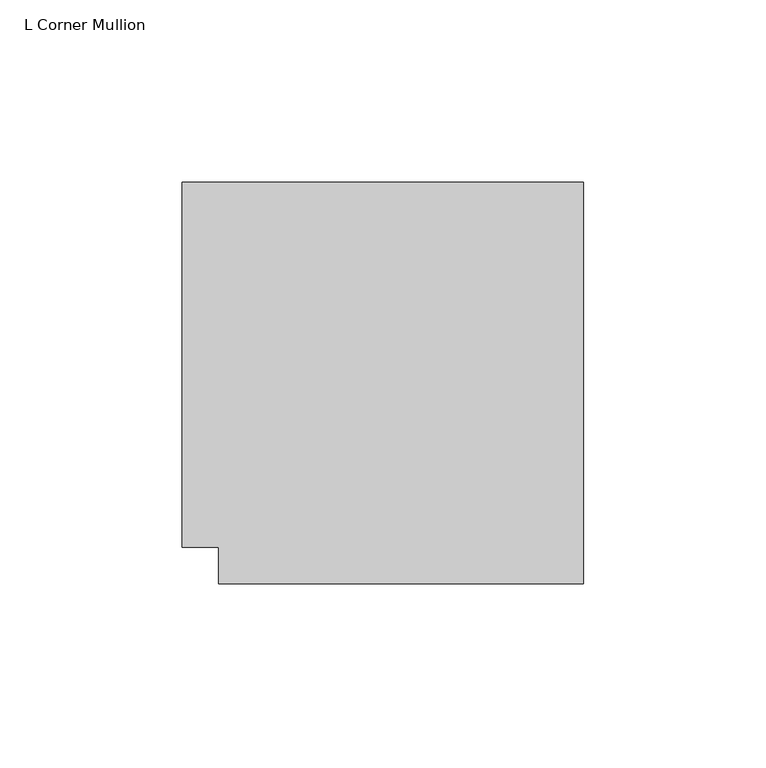
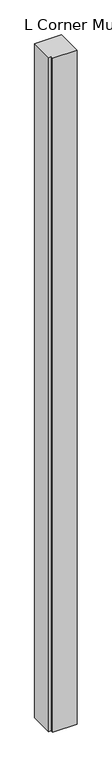
"""IFC4 building model written with IfcOpenShell, lengths in millimetres: member geometry, L Corner Mullion."""

from ifc_helpers import new_model, si_unit, frame, origin, place, context, project, spatial, polyline, outline, extrude, source, transform, mapped, element, save


def l_corner_mullion_24652a98(model_context):
    return source(origin(), model_context, "Body", "SweptSolid", [
        extrude(outline(polyline([(-50.0, -60.0), (-50.0, -50.0), (-60.0, -50.0), (-60.0, 50.0), (50.0, 50.0), (50.0, -60.0), (-50.0, -60.0)])), frame((0.0, 0.0, -2930.0), z_axis=(0.0, 0.0, 1.0), x_axis=(1.0, 0.0, 0.0)), (0.0, 0.0, 1.0), 2930.0),
    ])


if __name__ == "__main__":
    model = new_model("IFC4")
    model_context = context("Model", 3, world=origin())
    ifc_project = project(units=[si_unit("LENGTHUNIT", "METRE", prefix="MILLI")], contexts=[model_context])
    site = spatial("IfcSite", under=ifc_project)
    building = spatial("IfcBuilding", under=site)
    placement = place(None, origin())
    l_corner_mullion_shape = l_corner_mullion_24652a98(model_context)
    element("IfcMember", 1, ObjectType="L Corner Mullion", at=placement, inside=building, context=model_context, shape_type="MappedRepresentation", body=[
        mapped(l_corner_mullion_shape, transform((0.0, 0.0, 0.0), x_axis=(1.0, 0.0, 0.0), y_axis=(0.0, 1.0, 0.0), z_axis=(0.0, 0.0, 1.0))),
    ])
    save(model, "model.ifc")
